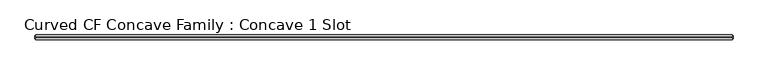
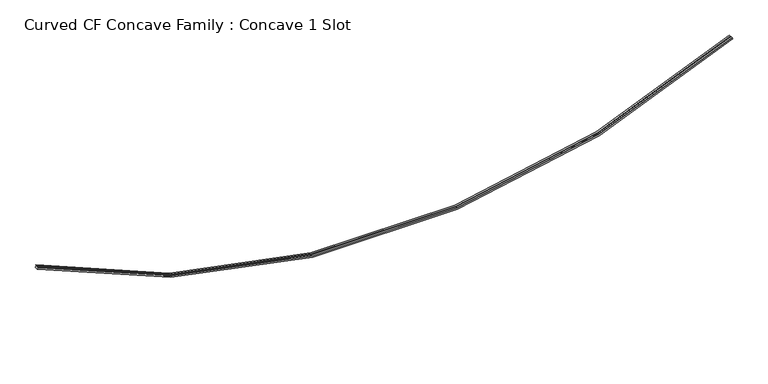
"""IFC4 building model written with IfcOpenShell, lengths in millimetres: air terminal geometry, Curved CF Concave Family : Concave 1 Slot."""

from ifc_helpers import new_model, si_unit, frame, origin, place, context, project, spatial, polyline, circle_curve, source, transform, mapped, element, save
from ifc_brep_helpers import plane_surface, cylinder_surface, revolved_surface, advanced_brep


def curved_cf_concave_family_concave_1_slot_83742f19(model_context):
    return source(origin(), model_context, "Body", "AdvancedBrep", [
        advanced_brep(
        [(7315.7394713, 49.2125, 1837.7596491), (7315.7394713, 12.7, 1837.7596491), (7324.2316567, 12.7, 1821.9073452), (7324.2316567, -12.7, 1821.9073452), (7315.7394713, -12.7, 1837.7596491), (7315.7394713, -49.2125, 1837.7596491), (7316.5180792, -49.2125, 1836.306227), (7316.5180792, -34.925, 1836.306227), (7336.7294821, -34.925, 1798.5777407), (7336.7294821, 34.925, 1798.5777407), (7316.5180792, 34.925, 1836.306227), (7316.5180792, 49.2125, 1836.306227), (-7315.7394713, 49.2125, 1837.7596491), (-7316.5180792, 49.2125, 1836.306227), (-7316.5180792, 34.925, 1836.306227), (-7336.7294821, 34.925, 1798.5777407), (-7336.7294821, -34.925, 1798.5777407), (-7316.5180792, -34.925, 1836.306227), (-7316.5180792, -49.2125, 1836.306227), (-7315.7394713, -49.2125, 1837.7596491), (-7315.7394713, -12.7, 1837.7596491), (-7324.2316567, -12.7, 1821.9073452), (-7324.2316567, 12.7, 1821.9073452), (-7315.7394713, 12.7, 1837.7596491)],
        [
            (0, 1),
            (1, 2),
            (2, 3),
            (3, 4),
            (4, 5),
            (5, 6),
            (6, 7),
            (7, 8),
            (8, 9),
            (9, 10),
            (10, 11),
            (11, 0),
            (12, 13),
            (13, 14),
            (14, 15),
            (15, 16),
            (16, 17),
            (17, 18),
            (18, 19),
            (19, 20),
            (20, 21),
            (21, 22),
            (22, 23),
            (23, 12),
            (23, 1, circle_curve(frame((0.0, 12.7, 15494.0), z_axis=(0.0, -1.0, 0.0), x_axis=(0.47221621783996426, 0.0, -0.8814827528709336)), 15492.3511622)),
            (0, 12, circle_curve(frame((0.0, 49.2125, 15494.0), z_axis=(0.0, 1.0, 0.0), x_axis=(0.47221621783996426, 0.0, -0.8814827528709336)), 15492.3511622)),
            (22, 2, circle_curve(frame((0.0, 12.7, 15494.0), z_axis=(0.0, -1.0, 0.0), x_axis=(0.47221621783996426, 0.0, -0.8814827528709336)), 15510.3348423)),
            (21, 3, circle_curve(frame((0.0, -12.7, 15494.0), z_axis=(0.0, -1.0, 0.0), x_axis=(0.47221621783996426, 0.0, -0.8814827528709336)), 15510.3348423)),
            (20, 4, circle_curve(frame((0.0, -12.7, 15494.0), z_axis=(0.0, -1.0, 0.0), x_axis=(0.47221621783996426, 0.0, -0.8814827528709336)), 15492.3511622)),
            (19, 5, circle_curve(frame((0.0, -49.2125, 15494.0), z_axis=(0.0, -1.0, 0.0), x_axis=(0.47221621783996426, 0.0, -0.8814827528709336)), 15492.3511622)),
            (18, 6, circle_curve(frame((0.0, -49.2125, 15494.0), z_axis=(0.0, -1.0, 0.0), x_axis=(0.47221621783996426, 0.0, -0.8814827528709336)), 15494.0)),
            (17, 7, circle_curve(frame((0.0, -34.925, 15494.0), z_axis=(0.0, -1.0, 0.0), x_axis=(0.47221621783996426, 0.0, -0.8814827528709336)), 15494.0)),
            (16, 8, circle_curve(frame((0.0, -34.925, 15494.0), z_axis=(0.0, -1.0, 0.0), x_axis=(0.47221621783996426, 0.0, -0.8814827528709336)), 15536.8011622)),
            (15, 9, circle_curve(frame((0.0, 34.925, 15494.0), z_axis=(0.0, -1.0, 0.0), x_axis=(0.47221621783996426, 0.0, -0.8814827528709336)), 15536.8011622)),
            (14, 10, circle_curve(frame((0.0, 34.925, 15494.0), z_axis=(0.0, -1.0, 0.0), x_axis=(0.47221621783996426, 0.0, -0.8814827528709336)), 15494.0)),
            (13, 11, circle_curve(frame((0.0, 49.2125, 15494.0), z_axis=(0.0, -1.0, 0.0), x_axis=(0.47221621783996426, 0.0, -0.8814827528709336)), 15494.0)),
        ],
        [
            plane_surface(frame((7316.5180792, 0.0, 1836.306227), z_axis=(0.8814827528709336, 0.0, 0.47221621783996426), x_axis=(0.0, -1.0, 0.0))),
            plane_surface(frame((-7316.5180792, 0.0, 1836.306227), z_axis=(-0.8814827528716576, 0.0, 0.47221621783861284), x_axis=(0.0, -1.0, 0.0))),
            revolved_surface(polyline([(7315.739471262659, 49.2125, 1837.759649100737), (7315.739471262659, 12.7, 1837.759649100737)]), (0.0, 0.0, 15494.0), (0.0, 1.0, 0.0)),
            plane_surface(frame((0.0, 12.7, 15494.0), z_axis=(0.0, -1.0, 0.0), x_axis=(0.47221621783996426, 0.0, -0.8814827528709336))),
            revolved_surface(polyline([(7324.231656662325, 12.7, 1821.9073452594384), (7324.231656662325, -12.7, 1821.9073452594384)]), (0.0, 0.0, 15494.0), (0.0, 1.0, 0.0)),
            plane_surface(frame((0.0, -12.7, 15494.0), z_axis=(0.0, 1.0, 0.0), x_axis=(0.47221621783996426, 0.0, -0.8814827528709336))),
            revolved_surface(polyline([(7315.739471262659, -12.7, 1837.759649100737), (7315.739471262659, -49.2125, 1837.759649100737)]), (0.0, 0.0, 15494.0), (0.0, 1.0, 0.0)),
            plane_surface(frame((0.0, -49.2125, 15494.0), z_axis=(0.0, -1.0, 0.0), x_axis=(0.47221621783996426, 0.0, -0.8814827528709336))),
            cylinder_surface(frame((0.0, 0.0, 15494.0), z_axis=(0.0, 1.0, 0.0), x_axis=(0.47221621783996426, 0.0, -0.8814827528709336)), 15494.0),
            plane_surface(frame((0.0, -34.925, 15494.0), z_axis=(0.0, -1.0, 0.0), x_axis=(0.47221621783996426, 0.0, -0.8814827528709336))),
            cylinder_surface(frame((0.0, 0.0, 15494.0), z_axis=(0.0, 1.0, 0.0), x_axis=(0.47221621783996426, 0.0, -0.8814827528709336)), 15536.8011622),
            plane_surface(frame((0.0, 34.925, 15494.0), z_axis=(0.0, 1.0, 0.0), x_axis=(0.47221621783996426, 0.0, -0.8814827528709336))),
            plane_surface(frame((0.0, 49.2125, 15494.0), z_axis=(0.0, 1.0, 0.0), x_axis=(0.47221621783996426, 0.0, -0.8814827528709336))),
        ],
        [
            (0, [[1, 2, 3, 4, 5, 6, 7, 8, 9, 10, 11, 12]]),
            (1, [[13, 14, 15, 16, 17, 18, 19, 20, 21, 22, 23, 24]]),
            (2, [[25, -1, 26, -24]]),
            (3, [[27, -2, -25, -23]]),
            (4, [[28, -3, -27, -22]]),
            (5, [[29, -4, -28, -21]]),
            (6, [[30, -5, -29, -20]]),
            (7, [[31, -6, -30, -19]]),
            (8, [[32, -7, -31, -18]]),
            (9, [[33, -8, -32, -17]]),
            (10, [[34, -9, -33, -16]]),
            (11, [[35, -10, -34, -15]]),
            (8, [[36, -11, -35, -14]]),
            (12, [[-26, -12, -36, -13]]),
        ],
    ),
    ])


if __name__ == "__main__":
    model = new_model("IFC4")
    model_context = context("Model", 3, world=origin())
    ifc_project = project(units=[si_unit("LENGTHUNIT", "METRE", prefix="MILLI")], contexts=[model_context])
    site = spatial("IfcSite", under=ifc_project)
    building = spatial("IfcBuilding", under=site)
    placement = place(None, origin())
    curved_cf_concave_family_concave_1_slot_shape = curved_cf_concave_family_concave_1_slot_83742f19(model_context)
    element("IfcAirTerminal", 1, ObjectType="Curved CF Concave Family : Concave 1 Slot", at=placement, inside=building, context=model_context, shape_type="MappedRepresentation", body=[
        mapped(curved_cf_concave_family_concave_1_slot_shape, transform((0.0, 0.0, 0.0), x_axis=(1.0, 0.0, 0.0), y_axis=(0.0, 1.0, 0.0), z_axis=(0.0, 0.0, 1.0))),
    ])
    save(model, "model.ifc")
